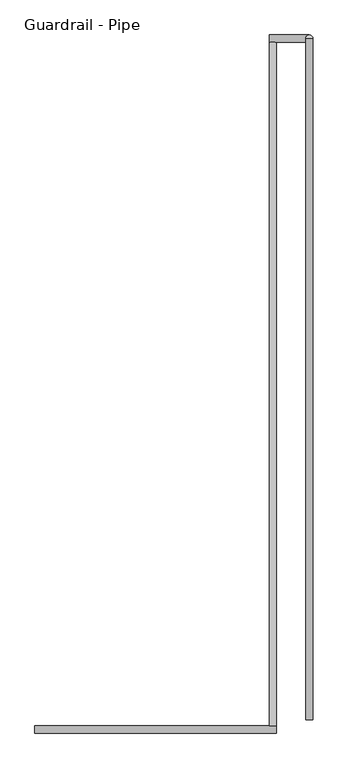
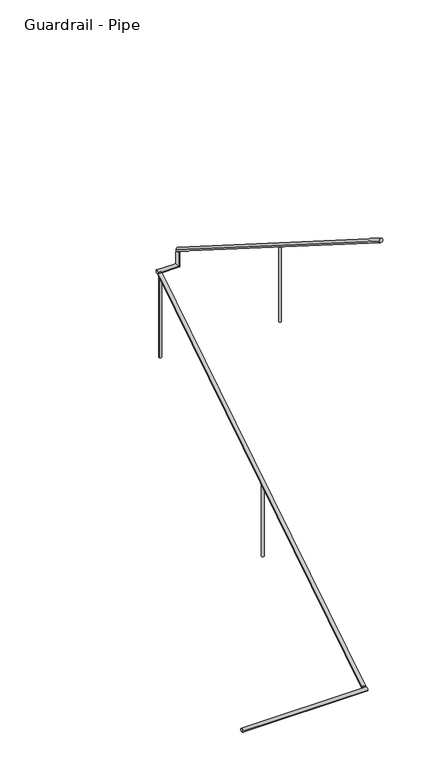
"""IFC4 building model written with IfcOpenShell, lengths in millimetres: railing geometry, Guardrail - Pipe."""

import ifcopenshell
import ifcopenshell.guid

model = None  # the IFC model being written
_history = None  # IfcOwnerHistory: only IFC2X3 demands one
_inside = {}  # id of a spatial element -> (the spatial element, [elements in it])
_under = {}  # id of a project, library or spatial element -> (it, [spatial elements below it])
_declared = {}  # id of a project -> (the project, [libraries it declares])
_typed = {}  # id of a type object -> (the type object, [elements of that type])
_made_of = {}  # id of a material, layer set ... -> (it, [elements and type objects made of it])


def new_model(schema):
    """Start an empty IFC model of exactly this schema.

    Asked for "IFC4X3", IfcOpenShell would pick the latest addendum, in which some entities
    have other attributes; the version numbers below select the first issue.
    IFC2X3 requires an IfcOwnerHistory on every rooted entity: one is made here for all.
    """
    global model, _history
    if schema == "IFC4X3":
        model = ifcopenshell.file(schema_version=(4, 3, 0, 0))
    else:
        model = ifcopenshell.file(schema=schema)
    _inside.clear()
    _under.clear()
    _declared.clear()
    _typed.clear()
    _made_of.clear()
    _history = None
    if model.schema == "IFC2X3":
        org = make("IfcOrganization", Name="unknown")
        user = make(
            "IfcPersonAndOrganization",
            ThePerson=make("IfcPerson", FamilyName="unknown"),
            TheOrganization=org,
        )
        app = make(
            "IfcApplication",
            ApplicationDeveloper=org,
            Version="unknown",
            ApplicationFullName="unknown",
            ApplicationIdentifier="unknown",
        )
        _history = make(
            "IfcOwnerHistory",
            OwningUser=user,
            OwningApplication=app,
            ChangeAction="ADDED",
            CreationDate=0,
        )
    return model


def make(cls, **values):
    """One entity of the class cls with the attributes given. An attribute that is None is left unset."""
    return model.create_entity(
        cls, **{name: value for name, value in values.items() if value is not None}
    )


def rooted(cls, **values):
    """An entity with a GlobalId (a new one), such as an element, a storey or a relation."""
    return make(cls, GlobalId=ifcopenshell.guid.new(), OwnerHistory=_history, **values)


def si_unit(unit_type, name, prefix=None):
    """IfcSIUnit, for example si_unit("LENGTHUNIT", "METRE", prefix="MILLI")."""
    return make("IfcSIUnit", UnitType=unit_type, Prefix=prefix, Name=name)


def assignment(units):
    """IfcUnitAssignment: the units of a project."""
    return None if units is None else make("IfcUnitAssignment", Units=units)


def point(xyz):
    """IfcCartesianPoint."""
    return None if xyz is None else make("IfcCartesianPoint", Coordinates=xyz)


def direction(xyz):
    """IfcDirection."""
    return None if xyz is None else make("IfcDirection", DirectionRatios=xyz)


def frame(location, z_axis=None, x_axis=None):
    """IfcAxis2Placement3D, a coordinate frame: its origin and axes. An axis left out is left unset."""
    return make(
        "IfcAxis2Placement3D",
        Location=point(location),
        Axis=direction(z_axis),
        RefDirection=direction(x_axis),
    )


def origin():
    """The frame at (0, 0, 0) with its axes left unset."""
    return frame((0.0, 0.0, 0.0))


def place(relative_to, where):
    """IfcLocalPlacement: puts the frame where relative to a parent placement (None: the world)."""
    return make(
        "IfcLocalPlacement", PlacementRelTo=relative_to, RelativePlacement=where
    )


def context(
    kind, dimensions, precision=None, world=None, true_north=None, identifier=None
):
    """IfcGeometricRepresentationContext, for example the 3D "Model" context."""
    return make(
        "IfcGeometricRepresentationContext",
        ContextIdentifier=identifier,
        ContextType=kind,
        CoordinateSpaceDimension=dimensions,
        Precision=precision,
        WorldCoordinateSystem=world,
        TrueNorth=true_north,
    )


def project(units=None, contexts=None):
    """IfcProject with its units and contexts."""
    return rooted(
        "IfcProject",
        Name="project",
        RepresentationContexts=contexts,
        UnitsInContext=assignment(units),
    )


def spatial(cls, under=None, at=None, **own):
    """A site, building, storey or space (cls), placed at a placement, below another one or the project."""
    s = rooted(cls, ObjectPlacement=at, **own)
    if under is not None:
        _under.setdefault(under.id(), (under, []))[1].append(s)
    return s


def circle_curve(where, radius):
    """IfcCircle in the frame where."""
    return make("IfcCircle", Position=where, Radius=radius)


def ellipse_curve(where, semi_axis1, semi_axis2):
    """IfcEllipse in the frame where."""
    return make(
        "IfcEllipse", Position=where, SemiAxis1=semi_axis1, SemiAxis2=semi_axis2
    )


def shape(context_of_items, identifier, shape_type, items):
    """IfcShapeRepresentation: the items that make up one representation, for example the "Body"."""
    return make(
        "IfcShapeRepresentation",
        ContextOfItems=context_of_items,
        RepresentationIdentifier=identifier,
        RepresentationType=shape_type,
        Items=items,
    )


def source(mapping_origin, context_of_items, identifier, shape_type, items):
    """IfcRepresentationMap: a shape defined once, which mapped items show again and again."""
    return make(
        "IfcRepresentationMap",
        MappingOrigin=mapping_origin,
        MappedRepresentation=shape(context_of_items, identifier, shape_type, items),
    )


def transform(
    local_origin,
    x_axis=None,
    y_axis=None,
    z_axis=None,
    scale=None,
    scale2=None,
    scale3=None,
    uniform=True,
):
    """IfcCartesianTransformationOperator3D, or its non-uniform kind. x_axis, y_axis, z_axis: its Axis1, 2, 3."""
    if uniform:
        return make(
            "IfcCartesianTransformationOperator3D",
            Axis1=direction(x_axis),
            Axis2=direction(y_axis),
            LocalOrigin=point(local_origin),
            Scale=scale,
            Axis3=direction(z_axis),
        )
    return make(
        "IfcCartesianTransformationOperator3DnonUniform",
        Axis1=direction(x_axis),
        Axis2=direction(y_axis),
        LocalOrigin=point(local_origin),
        Scale=scale,
        Axis3=direction(z_axis),
        Scale2=scale2,
        Scale3=scale3,
    )


def mapped(mapping_source, mapping_target):
    """IfcMappedItem: shows the shape of a source again, moved by a transform."""
    return make(
        "IfcMappedItem", MappingSource=mapping_source, MappingTarget=mapping_target
    )


def made_of(thing, what):
    """Note that an element or type object is made of a material, layer set ...; save() writes the relation."""
    if what is not None:
        _made_of.setdefault(what.id(), (what, []))[1].append(thing)
    return thing


def element(
    cls,
    number,
    at=None,
    inside=None,
    cuts=None,
    type_object=None,
    material=None,
    context=None,
    identifier="Body",
    shape_type=None,
    held_by="IfcProductDefinitionShape",
    body=None,
    shapes=None,
    **own,
):
    """One element of the class cls, such as IfcWall. Its Tag is "e" and its number.

    at: its placement. inside: the storey or other place that contains it. cuts: it is an
    opening in that element (IfcRelVoidsElement). A single representation is given by context,
    identifier, shape_type and body (its items); several are given by shapes. held_by: the class
    of the entity that holds the representations. save() writes the other relations.
    """
    e = rooted(cls, Tag="e%d" % number, ObjectPlacement=at, **own)
    if body is not None:
        shapes = [shape(context, identifier, shape_type, body)]
    if shapes is not None:
        e.Representation = make(held_by, Representations=shapes)
    if inside is not None:
        _inside.setdefault(inside.id(), (inside, []))[1].append(e)
    if cuts is not None:
        rooted(
            "IfcRelVoidsElement", RelatingBuildingElement=cuts, RelatedOpeningElement=e
        )
    if type_object is not None:
        _typed.setdefault(type_object.id(), (type_object, []))[1].append(e)
    return made_of(e, material)


def aggregate(whole, parts):
    """IfcRelAggregates: a whole, such as a stair, and the parts it consists of."""
    return rooted("IfcRelAggregates", RelatingObject=whole, RelatedObjects=parts)


def save(model, path):
    """Write the relations noted so far, then the file.

    IfcRelAggregates (storeys below a building ...), IfcRelContainedInSpatialStructure (elements
    in a storey), IfcRelDefinesByType, IfcRelAssociatesMaterial and IfcRelDeclares: one each for
    every whole, place, type object, material and project.
    """
    for whole, parts in _under.values():
        aggregate(whole, parts)
    for where, things in _inside.values():
        rooted(
            "IfcRelContainedInSpatialStructure",
            RelatedElements=things,
            RelatingStructure=where,
        )
    for kind, things in _typed.values():
        rooted("IfcRelDefinesByType", RelatedObjects=things, RelatingType=kind)
    for what, things in _made_of.values():
        rooted("IfcRelAssociatesMaterial", RelatedObjects=things, RelatingMaterial=what)
    for by, libraries in _declared.values():
        rooted("IfcRelDeclares", RelatingContext=by, RelatedDefinitions=libraries)
    model.write(path)


def plane_surface(at):
    """IfcPlane: the flat surface through the origin of the frame at, square to its z axis."""
    return make("IfcPlane", Position=at)


def cylinder_surface(at, radius):
    """IfcCylindricalSurface: all points at the distance radius from the z axis of the frame at."""
    return make("IfcCylindricalSurface", Position=at, Radius=radius)


def advanced_brep(points, edges, surfaces, faces):
    """IfcAdvancedBrep: a solid bounded by faces that lie on surfaces and meet in shared edges.

    An edge is (start, end): straight between two places in points (the first is 0);
    or (start, end, curve); or (start, end, curve, False) where it runs against its curve.
    A face is (place in surfaces, loops), or (place, loops, False) where it looks against
    its surface's normal. A loop lists edges by number (the first is 1), with a minus sign
    where the edge is run from its end to its start. The first loop is the outer one.
    """
    corners = [point(p) for p in points]
    vertices = [make("IfcVertexPoint", VertexGeometry=c) for c in corners]
    made = []
    for start, end, *more in edges:
        made.append(
            make(
                "IfcEdgeCurve",
                EdgeStart=vertices[start],
                EdgeEnd=vertices[end],
                EdgeGeometry=more[0] if more else make("IfcPolyline", Points=[corners[start], corners[end]]),
                SameSense=more[1] if len(more) > 1 else True,
            )
        )
    hull = []
    for where, loops, *sense in faces:
        bounds = []
        for j, loop in enumerate(loops):
            ring = [make("IfcOrientedEdge", EdgeElement=made[abs(k) - 1], Orientation=k > 0) for k in loop]
            bounds.append(
                make(
                    "IfcFaceOuterBound" if j == 0 else "IfcFaceBound",
                    Bound=make("IfcEdgeLoop", EdgeList=ring),
                    Orientation=True,
                )
            )
        hull.append(make("IfcAdvancedFace", Bounds=bounds, FaceSurface=surfaces[where], SameSense=sense[0] if sense else True))
    return make("IfcAdvancedBrep", Outer=make("IfcClosedShell", CfsFaces=hull))


def guardrail_pipe_b14cf9b1(model_context):
    return source(origin(), model_context, "Body", "AdvancedBrep", [
        advanced_brep(
        [(662052.3754676, -293377.1580223, 896.2158407), (662090.4754676, -293377.1580223, 896.2158407), (662052.3754676, -289732.2580223, 3203.4252683), (662090.4754676, -289732.2580223, 3203.4252683)],
        [
            (0, 1, ellipse_curve(frame((662071.4254676, -293377.1580223, 896.2158407), z_axis=(0.0, -1.0, 0.0), x_axis=(0.0, 0.0, -1.0)), 22.5457755, 19.05)),
            (1, 0, ellipse_curve(frame((662071.4254676, -293377.1580223, 896.2158407), z_axis=(0.0, -1.0, 0.0), x_axis=(0.0, 0.0, -1.0)), 22.5457755, 19.05)),
            (2, 3, ellipse_curve(frame((662071.4254676, -289732.2580223, 3203.4252683), z_axis=(0.0, 1.0, 0.0), x_axis=(0.0, 0.0, -1.0)), 22.5457755, 19.05)),
            (3, 2, ellipse_curve(frame((662071.4254676, -289732.2580223, 3203.4252683), z_axis=(0.0, 1.0, 0.0), x_axis=(0.0, 0.0, -1.0)), 22.5457755, 19.05)),
            (1, 3),
            (2, 0),
        ],
        [
            plane_surface(frame((662071.4254676, -293377.1580223, 918.7616162), z_axis=(0.0, -1.0, 0.0), x_axis=(0.0, 0.0, 1.0))),
            plane_surface(frame((662071.4254676, -289732.2580223, 3225.9710438), z_axis=(0.0, 1.0, 0.0), x_axis=(0.0, 0.0, 1.0))),
            cylinder_surface(frame((662071.4254676, -293366.9691486, 902.6653635), z_axis=(0.0, -0.8449476488296452, -0.5348490167675869), x_axis=(1.0, 0.0, 0.0)), 19.05),
        ],
        [
            (0, [[1, 2]]),
            (1, [[3, 4]]),
            (2, [[-2, 5, -3, 6]]),
            (2, [[-1, -6, -4, -5]]),
        ],
    ),
        advanced_brep(
        [(662052.3754676, -289694.1580223, 3218.9796296), (662052.3754676, -289732.2580223, 3218.9796296), (662265.9457983, -289732.2580223, 3218.9796296), (662265.9457983, -289694.1580223, 3218.9796296), (662265.9457983, -289694.1580223, 3357.738752), (662265.9457983, -289732.2580223, 3381.8559237)],
        [
            (0, 1, circle_curve(frame((662052.3754676, -289713.2080223, 3218.9796296), z_axis=(-1.0, 0.0, 0.0), x_axis=(0.0, -1.0, 0.0)), 19.05)),
            (1, 0, circle_curve(frame((662052.3754676, -289713.2080223, 3218.9796296), z_axis=(-1.0, 0.0, 0.0), x_axis=(0.0, -1.0, 0.0)), 19.05)),
            (1, 2),
            (2, 3, ellipse_curve(frame((662265.9457983, -289713.2080223, 3218.9796296), z_axis=(-0.7071067811865475, 0.0, -0.7071067811865475), x_axis=(-0.7071067811865476, 0.0, 0.7071067811865474)), 26.9407684, 19.05)),
            (3, 0),
            (3, 2, ellipse_curve(frame((662265.9457983, -289713.2080223, 3218.9796296), z_axis=(-0.7071067811865475, 0.0, -0.7071067811865475), x_axis=(-0.7071067811865476, 0.0, 0.7071067811865474)), 26.9407684, 19.05)),
            (4, 5, ellipse_curve(frame((662265.9457983, -289713.2080223, 3369.7973379), z_axis=(0.0, 0.5348490167675869, 0.8449476488296452), x_axis=(0.0, 0.8449476488296452, -0.5348490167675869)), 22.5457755, 19.05)),
            (5, 4, ellipse_curve(frame((662265.9457983, -289713.2080223, 3369.7973379), z_axis=(0.0, 0.5348490167675869, 0.8449476488296452), x_axis=(0.0, 0.8449476488296452, -0.5348490167675869)), 22.5457755, 19.05)),
            (2, 5),
            (4, 3),
        ],
        [
            plane_surface(frame((662052.3754676, -289713.2080223, 3238.0296296), z_axis=(-1.0, 0.0, 0.0), x_axis=(0.0, 1.0, 0.0))),
            cylinder_surface(frame((662052.3754676, -289713.2080223, 3218.9796296), z_axis=(-1.0, 0.0, 0.0), x_axis=(0.0, -1.0, 0.0)), 19.05),
            plane_surface(frame((662246.8957983, -289713.2080223, 3369.7973379), z_axis=(0.0, 0.5348490167675869, 0.8449476488296452), x_axis=(1.0, 0.0, 0.0))),
            cylinder_surface(frame((662265.9457983, -289713.2080223, 3238.0296296), z_axis=(0.0, 0.0, -1.0), x_axis=(0.0, -1.0, 0.0)), 19.05),
        ],
        [
            (0, [[1, 2]]),
            (1, [[-2, 3, 4, 5]]),
            (1, [[-1, -5, 6, -3]]),
            (2, [[7, 8]]),
            (3, [[-4, 9, -7, 10]]),
            (3, [[-6, -10, -8, -9]]),
        ],
    ),
        advanced_brep(
        [(662284.9957983, -289713.2080223, 3392.3431134), (662246.8957983, -289713.2080223, 3392.3431134), (662284.9957983, -293345.4080223, 5691.5134838), (662246.8957983, -293345.4080223, 5691.5134838)],
        [
            (0, 1, ellipse_curve(frame((662265.9457983, -289713.2080223, 3392.3431134), z_axis=(0.0, 1.0, 0.0), x_axis=(0.0, 0.0, -1.0)), 22.5457755, 19.05)),
            (1, 0, ellipse_curve(frame((662265.9457983, -289713.2080223, 3392.3431134), z_axis=(0.0, 1.0, 0.0), x_axis=(0.0, 0.0, -1.0)), 22.5457755, 19.05)),
            (2, 3, ellipse_curve(frame((662265.9457983, -293345.4080223, 5691.5134838), z_axis=(0.0, -1.0, 0.0), x_axis=(0.0, 0.0, -1.0)), 22.5457755, 19.05)),
            (3, 2, ellipse_curve(frame((662265.9457983, -293345.4080223, 5691.5134838), z_axis=(0.0, -1.0, 0.0), x_axis=(0.0, 0.0, -1.0)), 22.5457755, 19.05)),
            (1, 3),
            (2, 0),
        ],
        [
            plane_surface(frame((662265.9457983, -289713.2080223, 3414.8888889), z_axis=(0.0, 1.0, 0.0), x_axis=(0.0, 0.0, -1.0))),
            plane_surface(frame((662265.9457983, -293345.4080223, 5714.0592593), z_axis=(0.0, -1.0, 0.0), x_axis=(0.0, 0.0, -1.0))),
            cylinder_surface(frame((662265.9457983, -289723.3968961, 3398.7926362), z_axis=(0.0, 0.8449476488296452, -0.5348490167675869), x_axis=(-1.0, 0.0, 0.0)), 19.05),
        ],
        [
            (0, [[1, 2]]),
            (1, [[3, 4]]),
            (2, [[-2, 5, -3, 6]]),
            (2, [[-1, -6, -4, -5]]),
        ],
    ),
        advanced_brep(
        [(660801.4254676, -293377.1580223, 887.6530303), (660801.4254676, -293415.2580223, 887.6530303), (662090.4754676, -293377.1580223, 887.6530303), (662090.4754676, -293415.2580223, 887.6530303)],
        [
            (0, 1, circle_curve(frame((660801.4254676, -293396.2080223, 887.6530303), z_axis=(-1.0, 0.0, 0.0), x_axis=(0.0, -1.0, 0.0)), 19.05)),
            (1, 0, circle_curve(frame((660801.4254676, -293396.2080223, 887.6530303), z_axis=(-1.0, 0.0, 0.0), x_axis=(0.0, -1.0, 0.0)), 19.05)),
            (2, 3, circle_curve(frame((662090.4754676, -293396.2080223, 887.6530303), z_axis=(1.0, 0.0, 0.0), x_axis=(0.0, -1.0, 0.0)), 19.05)),
            (3, 2, circle_curve(frame((662090.4754676, -293396.2080223, 887.6530303), z_axis=(1.0, 0.0, 0.0), x_axis=(0.0, -1.0, 0.0)), 19.05)),
            (1, 3),
            (2, 0),
        ],
        [
            plane_surface(frame((660801.4254676, -293396.2080223, 906.7030303), z_axis=(-1.0, 0.0, 0.0), x_axis=(0.0, 1.0, 0.0))),
            plane_surface(frame((662090.4754676, -293396.2080223, 906.7030303), z_axis=(1.0, 0.0, 0.0), x_axis=(0.0, 1.0, 0.0))),
            cylinder_surface(frame((660801.4254676, -293396.2080223, 887.6530303), z_axis=(-1.0, 0.0, 0.0), x_axis=(0.0, -1.0, 0.0)), 19.05),
        ],
        [
            (0, [[1, 2]]),
            (1, [[3, 4]]),
            (2, [[-2, 5, -3, 6]]),
            (2, [[-1, -6, -4, -5]]),
        ],
    ),
        advanced_brep(
        [(662253.2457983, -291542.0080223, 4527.4215803), (662253.2457983, -291542.0080223, 3714.0444444), (662278.6457983, -291542.0080223, 3714.0444444), (662278.6457983, -291542.0080223, 4527.4215803)],
        [
            (0, 1),
            (1, 2, circle_curve(frame((662265.9457983, -291542.0080223, 3714.0444444), z_axis=(0.0, 0.0, 1.0), x_axis=(1.0, 0.0, 0.0)), 12.7)),
            (2, 3),
            (3, 0, ellipse_curve(frame((662265.9457983, -291542.0080223, 4527.4215803), z_axis=(0.0, -0.5348490167675828, -0.844947648829648), x_axis=(0.0, -0.8449476488296481, 0.5348490167675825)), 15.030517, 12.7)),
            (0, 3, ellipse_curve(frame((662265.9457983, -291542.0080223, 4527.4215803), z_axis=(0.0, -0.5348490167675828, -0.844947648829648), x_axis=(0.0, -0.8449476488296481, 0.5348490167675825)), 15.030517, 12.7)),
            (2, 1, circle_curve(frame((662265.9457983, -291542.0080223, 3714.0444444), z_axis=(0.0, 0.0, 1.0), x_axis=(1.0, 0.0, 0.0)), 12.7)),
        ],
        [
            cylinder_surface(frame((662265.9457983, -291542.0080223, 3485.4444444), z_axis=(0.0, 0.0, 1.0), x_axis=(1.0, 0.0, 0.0)), 12.7),
            plane_surface(frame((662291.3457983, -291567.4080223, 4543.4996948), z_axis=(0.0, 0.5348490167675828, 0.844947648829648), x_axis=(-1.0, 0.0, 0.0))),
            plane_surface(frame((662291.3457983, -291516.6080223, 3714.0444444), z_axis=(0.0, 0.0, -1.0), x_axis=(-1.0, 0.0, 0.0))),
        ],
        [
            (0, [[1, 2, 3, 4]]),
            (0, [[-1, 5, -3, 6]]),
            (1, [[-4, -5]]),
            (2, [[-2, -6]]),
        ],
    ),
        advanced_brep(
        [(662084.1254676, -289738.6080223, 3176.8599642), (662084.1254676, -289738.6080223, 2299.1703704), (662058.7254676, -289738.6080223, 2299.1703704), (662058.7254676, -289738.6080223, 3176.8599642)],
        [
            (0, 1),
            (1, 2, circle_curve(frame((662071.4254676, -289738.6080223, 2299.1703704), z_axis=(0.0, 0.0, 1.0), x_axis=(-1.0, 0.0, 0.0)), 12.7)),
            (2, 3),
            (3, 0, ellipse_curve(frame((662071.4254676, -289738.6080223, 3176.8599642), z_axis=(0.0, 0.5348490167675843, -0.8449476488296469), x_axis=(0.0, 0.8449476488296469, 0.5348490167675843)), 15.030517, 12.7)),
            (0, 3, ellipse_curve(frame((662071.4254676, -289738.6080223, 3176.8599642), z_axis=(0.0, 0.5348490167675843, -0.8449476488296469), x_axis=(0.0, 0.8449476488296469, 0.5348490167675843)), 15.030517, 12.7)),
            (2, 1, circle_curve(frame((662071.4254676, -289738.6080223, 2299.1703704), z_axis=(0.0, 0.0, 1.0), x_axis=(-1.0, 0.0, 0.0)), 12.7)),
        ],
        [
            cylinder_surface(frame((662071.4254676, -289738.6080223, 2070.5703704), z_axis=(0.0, 0.0, 1.0), x_axis=(-1.0, 0.0, 0.0)), 12.7),
            plane_surface(frame((662046.0254676, -289713.2080223, 3192.9380786), z_axis=(0.0, -0.5348490167675843, 0.8449476488296469), x_axis=(1.0, 0.0, 0.0))),
            plane_surface(frame((662046.0254676, -289764.0080223, 2299.1703704), z_axis=(0.0, 0.0, -1.0), x_axis=(1.0, 0.0, 0.0))),
        ],
        [
            (0, [[1, 2, 3, 4]]),
            (0, [[-1, 5, -3, 6]]),
            (1, [[-4, -5]]),
            (2, [[-2, -6]]),
        ],
    ),
        advanced_brep(
        [(662084.1254676, -291567.4080223, 2019.2357217), (662084.1254676, -291567.4080223, 1238.0148148), (662058.7254676, -291567.4080223, 1238.0148148), (662058.7254676, -291567.4080223, 2019.2357217)],
        [
            (0, 1),
            (1, 2, circle_curve(frame((662071.4254676, -291567.4080223, 1238.0148148), z_axis=(0.0, 0.0, 1.0), x_axis=(-1.0, 0.0, 0.0)), 12.7)),
            (2, 3),
            (3, 0, ellipse_curve(frame((662071.4254676, -291567.4080223, 2019.2357217), z_axis=(0.0, 0.5348490167675843, -0.8449476488296469), x_axis=(0.0, 0.8449476488296469, 0.5348490167675843)), 15.030517, 12.7)),
            (0, 3, ellipse_curve(frame((662071.4254676, -291567.4080223, 2019.2357217), z_axis=(0.0, 0.5348490167675843, -0.8449476488296469), x_axis=(0.0, 0.8449476488296469, 0.5348490167675843)), 15.030517, 12.7)),
            (2, 1, circle_curve(frame((662071.4254676, -291567.4080223, 1238.0148148), z_axis=(0.0, 0.0, 1.0), x_axis=(-1.0, 0.0, 0.0)), 12.7)),
        ],
        [
            cylinder_surface(frame((662071.4254676, -291567.4080223, 1009.4148148), z_axis=(0.0, 0.0, 1.0), x_axis=(-1.0, 0.0, 0.0)), 12.7),
            plane_surface(frame((662046.0254676, -291542.0080223, 2035.3138362), z_axis=(0.0, -0.5348490167675843, 0.8449476488296469), x_axis=(1.0, 0.0, 0.0))),
            plane_surface(frame((662046.0254676, -291592.8080223, 1238.0148148), z_axis=(0.0, 0.0, -1.0), x_axis=(1.0, 0.0, 0.0))),
        ],
        [
            (0, [[1, 2, 3, 4]]),
            (0, [[-1, 5, -3, 6]]),
            (1, [[-4, -5]]),
            (2, [[-2, -6]]),
        ],
    ),
    ])


if __name__ == "__main__":
    model = new_model("IFC4")
    model_context = context("Model", 3, world=origin())
    ifc_project = project(units=[si_unit("LENGTHUNIT", "METRE", prefix="MILLI")], contexts=[model_context])
    site = spatial("IfcSite", under=ifc_project)
    building = spatial("IfcBuilding", under=site)
    placement = place(None, origin())
    guardrail_pipe_shape = guardrail_pipe_b14cf9b1(model_context)
    element("IfcRailing", 1, ObjectType="Guardrail - Pipe", at=placement, inside=building, context=model_context, shape_type="MappedRepresentation", body=[
        mapped(guardrail_pipe_shape, transform((0.0, 0.0, 0.0), x_axis=(1.0, 0.0, 0.0), y_axis=(0.0, 1.0, 0.0), z_axis=(0.0, 0.0, 1.0))),
    ])
    save(model, "model.ifc")
